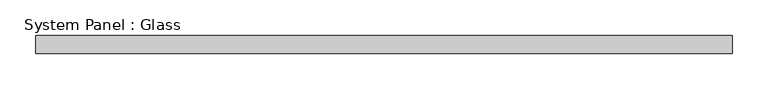
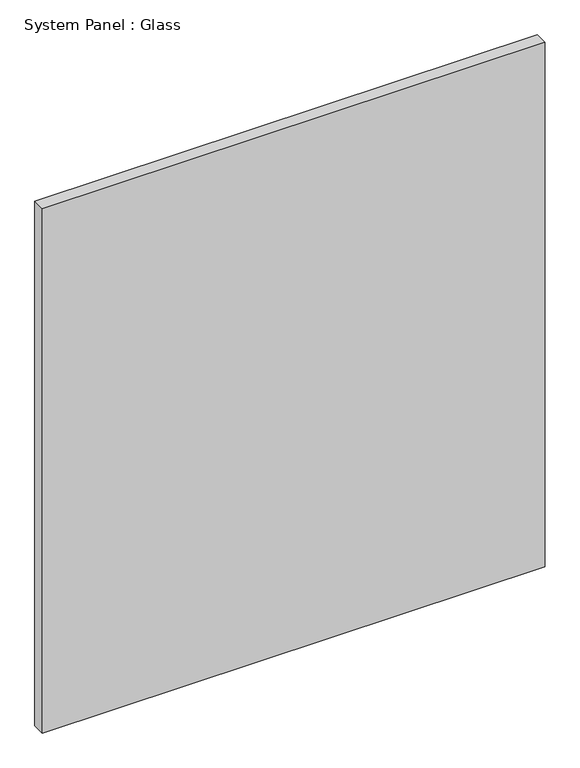
"""IFC4 building model written with IfcOpenShell, lengths in millimetres: plate geometry, System Panel : Glass."""

import ifcopenshell
import ifcopenshell.guid

model = None  # the IFC model being written
_history = None  # IfcOwnerHistory: only IFC2X3 demands one
_inside = {}  # id of a spatial element -> (the spatial element, [elements in it])
_under = {}  # id of a project, library or spatial element -> (it, [spatial elements below it])
_declared = {}  # id of a project -> (the project, [libraries it declares])
_typed = {}  # id of a type object -> (the type object, [elements of that type])
_made_of = {}  # id of a material, layer set ... -> (it, [elements and type objects made of it])


def new_model(schema):
    """Start an empty IFC model of exactly this schema.

    Asked for "IFC4X3", IfcOpenShell would pick the latest addendum, in which some entities
    have other attributes; the version numbers below select the first issue.
    IFC2X3 requires an IfcOwnerHistory on every rooted entity: one is made here for all.
    """
    global model, _history
    if schema == "IFC4X3":
        model = ifcopenshell.file(schema_version=(4, 3, 0, 0))
    else:
        model = ifcopenshell.file(schema=schema)
    _inside.clear()
    _under.clear()
    _declared.clear()
    _typed.clear()
    _made_of.clear()
    _history = None
    if model.schema == "IFC2X3":
        org = make("IfcOrganization", Name="unknown")
        user = make(
            "IfcPersonAndOrganization",
            ThePerson=make("IfcPerson", FamilyName="unknown"),
            TheOrganization=org,
        )
        app = make(
            "IfcApplication",
            ApplicationDeveloper=org,
            Version="unknown",
            ApplicationFullName="unknown",
            ApplicationIdentifier="unknown",
        )
        _history = make(
            "IfcOwnerHistory",
            OwningUser=user,
            OwningApplication=app,
            ChangeAction="ADDED",
            CreationDate=0,
        )
    return model


def make(cls, **values):
    """One entity of the class cls with the attributes given. An attribute that is None is left unset."""
    return model.create_entity(
        cls, **{name: value for name, value in values.items() if value is not None}
    )


def rooted(cls, **values):
    """An entity with a GlobalId (a new one), such as an element, a storey or a relation."""
    return make(cls, GlobalId=ifcopenshell.guid.new(), OwnerHistory=_history, **values)


def si_unit(unit_type, name, prefix=None):
    """IfcSIUnit, for example si_unit("LENGTHUNIT", "METRE", prefix="MILLI")."""
    return make("IfcSIUnit", UnitType=unit_type, Prefix=prefix, Name=name)


def assignment(units):
    """IfcUnitAssignment: the units of a project."""
    return None if units is None else make("IfcUnitAssignment", Units=units)


def point(xyz):
    """IfcCartesianPoint."""
    return None if xyz is None else make("IfcCartesianPoint", Coordinates=xyz)


def direction(xyz):
    """IfcDirection."""
    return None if xyz is None else make("IfcDirection", DirectionRatios=xyz)


def frame(location, z_axis=None, x_axis=None):
    """IfcAxis2Placement3D, a coordinate frame: its origin and axes. An axis left out is left unset."""
    return make(
        "IfcAxis2Placement3D",
        Location=point(location),
        Axis=direction(z_axis),
        RefDirection=direction(x_axis),
    )


def origin():
    """The frame at (0, 0, 0) with its axes left unset."""
    return frame((0.0, 0.0, 0.0))


def origin_with_axes():
    """The frame at (0, 0, 0) with the z axis (0, 0, 1) and the x axis (1, 0, 0) written out."""
    return frame((0.0, 0.0, 0.0), z_axis=(0.0, 0.0, 1.0), x_axis=(1.0, 0.0, 0.0))


def place(relative_to, where):
    """IfcLocalPlacement: puts the frame where relative to a parent placement (None: the world)."""
    return make(
        "IfcLocalPlacement", PlacementRelTo=relative_to, RelativePlacement=where
    )


def context(
    kind, dimensions, precision=None, world=None, true_north=None, identifier=None
):
    """IfcGeometricRepresentationContext, for example the 3D "Model" context."""
    return make(
        "IfcGeometricRepresentationContext",
        ContextIdentifier=identifier,
        ContextType=kind,
        CoordinateSpaceDimension=dimensions,
        Precision=precision,
        WorldCoordinateSystem=world,
        TrueNorth=true_north,
    )


def project(units=None, contexts=None):
    """IfcProject with its units and contexts."""
    return rooted(
        "IfcProject",
        Name="project",
        RepresentationContexts=contexts,
        UnitsInContext=assignment(units),
    )


def spatial(cls, under=None, at=None, **own):
    """A site, building, storey or space (cls), placed at a placement, below another one or the project."""
    s = rooted(cls, ObjectPlacement=at, **own)
    if under is not None:
        _under.setdefault(under.id(), (under, []))[1].append(s)
    return s


def polyline(points):
    """IfcPolyline through the points."""
    return make("IfcPolyline", Points=[point(p) for p in points])


def outline(outer, holes=None, kind="AREA"):
    """IfcArbitraryClosedProfileDef: a profile drawn as a closed curve; with holes, ...WithVoids."""
    if holes is None:
        return make("IfcArbitraryClosedProfileDef", ProfileType=kind, OuterCurve=outer)
    return make(
        "IfcArbitraryProfileDefWithVoids",
        ProfileType=kind,
        OuterCurve=outer,
        InnerCurves=holes,
    )


def extrude(swept, where, along, depth):
    """IfcExtrudedAreaSolid: the profile swept, set in the frame where, extruded along a direction by depth."""
    return make(
        "IfcExtrudedAreaSolid",
        SweptArea=swept,
        Position=where,
        ExtrudedDirection=direction(along),
        Depth=depth,
    )


def shape(context_of_items, identifier, shape_type, items):
    """IfcShapeRepresentation: the items that make up one representation, for example the "Body"."""
    return make(
        "IfcShapeRepresentation",
        ContextOfItems=context_of_items,
        RepresentationIdentifier=identifier,
        RepresentationType=shape_type,
        Items=items,
    )


def source(mapping_origin, context_of_items, identifier, shape_type, items):
    """IfcRepresentationMap: a shape defined once, which mapped items show again and again."""
    return make(
        "IfcRepresentationMap",
        MappingOrigin=mapping_origin,
        MappedRepresentation=shape(context_of_items, identifier, shape_type, items),
    )


def transform(
    local_origin,
    x_axis=None,
    y_axis=None,
    z_axis=None,
    scale=None,
    scale2=None,
    scale3=None,
    uniform=True,
):
    """IfcCartesianTransformationOperator3D, or its non-uniform kind. x_axis, y_axis, z_axis: its Axis1, 2, 3."""
    if uniform:
        return make(
            "IfcCartesianTransformationOperator3D",
            Axis1=direction(x_axis),
            Axis2=direction(y_axis),
            LocalOrigin=point(local_origin),
            Scale=scale,
            Axis3=direction(z_axis),
        )
    return make(
        "IfcCartesianTransformationOperator3DnonUniform",
        Axis1=direction(x_axis),
        Axis2=direction(y_axis),
        LocalOrigin=point(local_origin),
        Scale=scale,
        Axis3=direction(z_axis),
        Scale2=scale2,
        Scale3=scale3,
    )


def mapped(mapping_source, mapping_target):
    """IfcMappedItem: shows the shape of a source again, moved by a transform."""
    return make(
        "IfcMappedItem", MappingSource=mapping_source, MappingTarget=mapping_target
    )


def made_of(thing, what):
    """Note that an element or type object is made of a material, layer set ...; save() writes the relation."""
    if what is not None:
        _made_of.setdefault(what.id(), (what, []))[1].append(thing)
    return thing


def element(
    cls,
    number,
    at=None,
    inside=None,
    cuts=None,
    type_object=None,
    material=None,
    context=None,
    identifier="Body",
    shape_type=None,
    held_by="IfcProductDefinitionShape",
    body=None,
    shapes=None,
    **own,
):
    """One element of the class cls, such as IfcWall. Its Tag is "e" and its number.

    at: its placement. inside: the storey or other place that contains it. cuts: it is an
    opening in that element (IfcRelVoidsElement). A single representation is given by context,
    identifier, shape_type and body (its items); several are given by shapes. held_by: the class
    of the entity that holds the representations. save() writes the other relations.
    """
    e = rooted(cls, Tag="e%d" % number, ObjectPlacement=at, **own)
    if body is not None:
        shapes = [shape(context, identifier, shape_type, body)]
    if shapes is not None:
        e.Representation = make(held_by, Representations=shapes)
    if inside is not None:
        _inside.setdefault(inside.id(), (inside, []))[1].append(e)
    if cuts is not None:
        rooted(
            "IfcRelVoidsElement", RelatingBuildingElement=cuts, RelatedOpeningElement=e
        )
    if type_object is not None:
        _typed.setdefault(type_object.id(), (type_object, []))[1].append(e)
    return made_of(e, material)


def aggregate(whole, parts):
    """IfcRelAggregates: a whole, such as a stair, and the parts it consists of."""
    return rooted("IfcRelAggregates", RelatingObject=whole, RelatedObjects=parts)


def save(model, path):
    """Write the relations noted so far, then the file.

    IfcRelAggregates (storeys below a building ...), IfcRelContainedInSpatialStructure (elements
    in a storey), IfcRelDefinesByType, IfcRelAssociatesMaterial and IfcRelDeclares: one each for
    every whole, place, type object, material and project.
    """
    for whole, parts in _under.values():
        aggregate(whole, parts)
    for where, things in _inside.values():
        rooted(
            "IfcRelContainedInSpatialStructure",
            RelatedElements=things,
            RelatingStructure=where,
        )
    for kind, things in _typed.values():
        rooted("IfcRelDefinesByType", RelatedObjects=things, RelatingType=kind)
    for what, things in _made_of.values():
        rooted("IfcRelAssociatesMaterial", RelatedObjects=things, RelatingMaterial=what)
    for by, libraries in _declared.values():
        rooted("IfcRelDeclares", RelatingContext=by, RelatedDefinitions=libraries)
    model.write(path)


def system_panel_glass_c797971c(model_context):
    return source(origin(), model_context, "Body", "SweptSolid", [
        extrude(outline(polyline([(483.3333334, 24.5), (-483.3333334, 24.5), (-483.3333334, 49.5), (483.3333334, 49.5), (483.3333334, 24.5)])), origin_with_axes(), (0.0, 0.0, 1.0), 1065.8204853),
    ])


if __name__ == "__main__":
    model = new_model("IFC4")
    model_context = context("Model", 3, world=origin())
    ifc_project = project(units=[si_unit("LENGTHUNIT", "METRE", prefix="MILLI")], contexts=[model_context])
    site = spatial("IfcSite", under=ifc_project)
    building = spatial("IfcBuilding", under=site)
    placement = place(None, origin())
    system_panel_glass_shape = system_panel_glass_c797971c(model_context)
    element("IfcPlate", 1, ObjectType="System Panel : Glass", at=placement, inside=building, context=model_context, shape_type="MappedRepresentation", body=[
        mapped(system_panel_glass_shape, transform((0.0, 0.0, 0.0), x_axis=(1.0, 0.0, 0.0), y_axis=(0.0, 1.0, 0.0), z_axis=(0.0, 0.0, 1.0))),
    ])
    save(model, "model.ifc")
